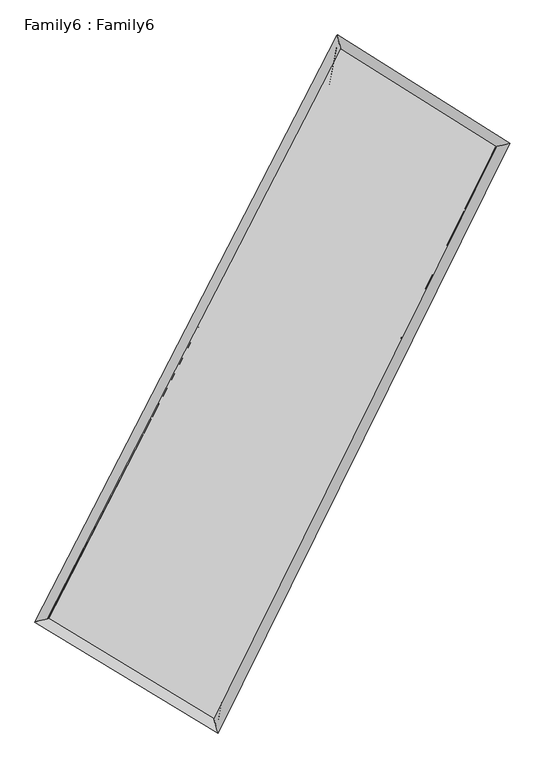
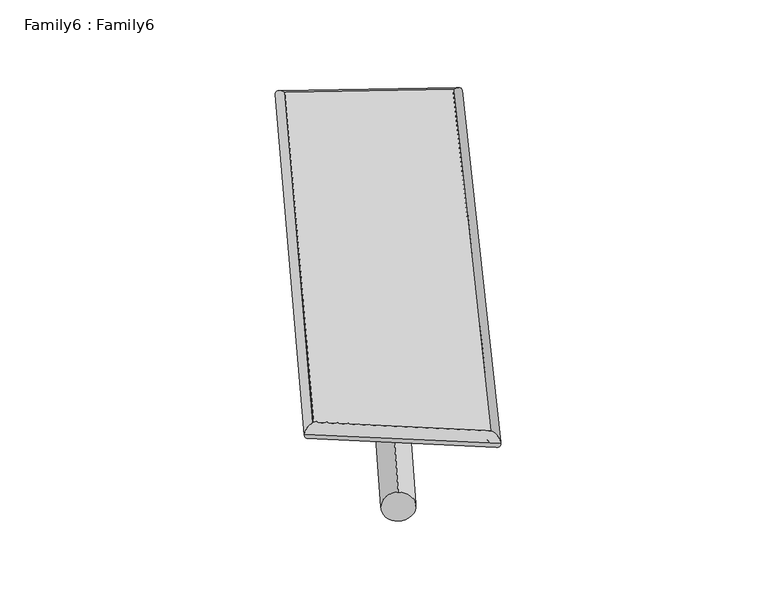
"""IFC4 building model written with IfcOpenShell, lengths in millimetres: plate geometry, Family6 : Family6."""

from ifc_helpers import new_model, si_unit, point, frame, origin, origin_2d, place, context, project, spatial, circle_curve, ellipse_curve, trimmed, segment, composite_curve, outline, extrude, source, transform, mapped, element, save
from ifc_brep_helpers import plane_surface, cylinder_surface, spline_surface, advanced_brep


def family6_family6_aa710bb6(model_context):
    return source(origin(), model_context, "Body", "SolidModel", [
        extrude(outline(composite_curve([segment(trimmed(circle_curve(origin_2d(), 76.2), [point((-75.4341514, -10.7763074))], [point((75.4341514, 10.7763074))], False, "CARTESIAN"), True, "CONTINUOUS"), segment(trimmed(circle_curve(origin_2d(), 76.2), [point((75.4341514, 10.7763074))], [point((-75.4341514, -10.7763074))], False, "CARTESIAN"), True, "CONTINUOUS")], self_intersect=False)), frame((9144.0, 9144.0, 0.0), z_axis=(0.6543816768485177, 0.6962901136099043, 0.29489777668546235), x_axis=(-0.6898250130579842, 0.7094403203418094, -0.14434640013821973)), (0.0, 0.0, 1.0), 5396.7434976),
        extrude(outline(composite_curve([segment(trimmed(circle_curve(origin_2d(), 76.2), [point((-53.8815367, 53.8815367))], [point((53.8815367, -53.8815367))], False, "CARTESIAN"), True, "CONTINUOUS"), segment(trimmed(circle_curve(origin_2d(), 76.2), [point((53.8815367, -53.8815367))], [point((-53.8815367, 53.8815367))], False, "CARTESIAN"), True, "CONTINUOUS")], self_intersect=False)), frame((9144.0, 9144.0, 0.0), z_axis=(-0.6655400931432676, -0.6867302653244083, 0.2923318783614246), x_axis=(0.6534073702245423, -0.34680353305495265, 0.6728938385784569)), (0.0, 0.0, 1.0), 5434.5287958),
        extrude(outline(composite_curve([segment(trimmed(circle_curve(origin_2d(), 76.2), [point((-53.8815368, -53.8815367))], [point((53.8815368, 53.8815367))], False, "CARTESIAN"), True, "CONTINUOUS"), segment(trimmed(circle_curve(origin_2d(), 76.2), [point((53.8815368, 53.8815367))], [point((-53.8815368, -53.8815367))], False, "CARTESIAN"), True, "CONTINUOUS")], self_intersect=False)), frame((9144.0, 9144.0, 0.0), z_axis=(0.18652078425951846, 0.9477440834919477, 0.2588264848218248), x_axis=(-0.8512866870815973, 0.2874208094661833, -0.43897637144092705)), (0.0, 0.0, 1.0), 5609.6772659),
        extrude(outline(composite_curve([segment(trimmed(circle_curve(origin_2d(), 76.2), [point((-75.4341514, 10.7763074))], [point((75.4341514, -10.7763074))], False, "CARTESIAN"), True, "CONTINUOUS"), segment(trimmed(circle_curve(origin_2d(), 76.2), [point((75.4341514, -10.7763074))], [point((-75.4341514, 10.7763074))], False, "CARTESIAN"), True, "CONTINUOUS")], self_intersect=False)), frame((9144.0, 9144.0, 0.0), z_axis=(-0.1733003588996479, -0.9501633238874302, 0.2591459888642768), x_axis=(0.9058528390567362, -0.05051301117369408, 0.4205699343450706)), (0.0, 0.0, 1.0), 5614.7007695),
        advanced_brep(
        [(5327.1601859, 5355.8107342, 1579.758199), (5326.7306035, 5355.2766465, 1599.2861894), (5727.0462122, 5468.0784621, 1597.6138228), (10249.5363151, 14243.6009234, 1464.9878346), (10131.106491, 14677.4759547, 1438.8782608), (5727.4757946, 5468.6125498, 1578.0858323), (12477.8193329, 12845.9174243, 1590.1150222), (12873.240786, 12957.4808618, 1592.8602953), (8108.0466032, 4025.4069042, 1457.7377639), (8233.8940799, 3592.8276043, 1452.3166022)],
        [
            (0, 1, ellipse_curve(frame((5527.1031991, 5411.9445981, 1588.6860109), z_axis=(-0.2710852647547539, 0.9623400616968577, 0.02035644581288753), x_axis=(-0.961481606215777, -0.27172093917346396, 0.04148315469465289)), 208.5092908, 152.4)),
            (1, 2, ellipse_curve(frame((5527.1031991, 5411.9445981, 1588.6860109), z_axis=(-0.2710852647547539, 0.9623400616968577, 0.02035644581288753), x_axis=(-0.961481606215777, -0.27172093917346396, 0.04148315469465289)), 208.5092908, 152.4)),
            (2, 3),
            (3, 4, ellipse_curve(frame((10190.3214031, 14460.5384391, 1451.9330477), z_axis=(-0.9640148681223326, -0.26465196776444816, -0.025192657610642204), x_axis=(0.2635035257940911, -0.9637705385672293, 0.04137923251965436)), 225.2893599, 152.4)),
            (4, 0),
            (2, 5, ellipse_curve(frame((5527.1031991, 5411.9445981, 1588.6860109), z_axis=(-0.2710852647547539, 0.9623400616968577, 0.02035644581288753), x_axis=(-0.961481606215777, -0.27172093917346396, 0.04148315469465289)), 208.5092908, 152.4)),
            (5, 0, ellipse_curve(frame((5527.1031991, 5411.9445981, 1588.6860109), z_axis=(-0.2710852647547539, 0.9623400616968577, 0.02035644581288753), x_axis=(-0.961481606215777, -0.27172093917346396, 0.04148315469465289)), 208.5092908, 152.4)),
            (4, 3, ellipse_curve(frame((10190.3214031, 14460.5384391, 1451.9330477), z_axis=(-0.9640148681223326, -0.26465196776444816, -0.025192657610642204), x_axis=(0.2635035257940911, -0.9637705385672293, 0.04137923251965436)), 225.2893599, 152.4)),
            (3, 6),
            (6, 7, ellipse_curve(frame((12675.5300595, 12901.699143, 1591.4876588), z_axis=(-0.27131806674677345, 0.9622154442676855, -0.022977063988553828), x_axis=(-0.9611923131140597, -0.2721142263341071, -0.04542229669483352)), 205.5600985, 152.4)),
            (7, 4),
            (7, 6, ellipse_curve(frame((12675.5300595, 12901.699143, 1591.4876588), z_axis=(-0.27131806674677345, 0.9622154442676855, -0.022977063988553828), x_axis=(-0.9611923131140597, -0.2721142263341071, -0.04542229669483352)), 205.5600985, 152.4)),
            (6, 8),
            (8, 9, ellipse_curve(frame((8170.9703415, 3809.1172543, 1455.0271831), z_axis=(0.9598854099444164, 0.2795288129790114, -0.0219918732804782), x_axis=(-0.2785778312031269, 0.959644070587966, 0.038440210034824396)), 225.3663628, 152.4)),
            (9, 7),
            (9, 8, ellipse_curve(frame((8170.9703415, 3809.1172543, 1455.0271831), z_axis=(0.9598854099444164, 0.2795288129790114, -0.0219918732804782), x_axis=(-0.2785778312031269, 0.959644070587966, 0.038440210034824396)), 225.3663628, 152.4)),
            (8, 5),
            (1, 9),
        ],
        [
            cylinder_surface(frame((5527.1031991, 5411.9445981, 1588.6860109), z_axis=(-0.45805665225375297, -0.8888215007379566, 0.01343291301285806), x_axis=(-0.8870925845538497, 0.4560919938443637, -0.07104111190461533)), 152.4),
            cylinder_surface(frame((10190.3214031, 14460.5384391, 1451.9330477), z_axis=(-0.8461848436682151, 0.530766775909797, -0.04751673322649441), x_axis=(0.5324280073843237, 0.8457944044205858, -0.033944696251183286)), 152.4),
            cylinder_surface(frame((12675.5300595, 12901.699143, 1591.4876588), z_axis=(0.44388037244142836, 0.8959851545971029, 0.013446847320641366), x_axis=(0.8960805233305691, -0.44388037244142836, -0.0031481214831123394)), 152.4),
            cylinder_surface(frame((8170.9703415, 3809.1172543, 1455.0271831), z_axis=(0.854330546722184, -0.5179323646800135, -0.043190074720287464), x_axis=(-0.5171136510315982, -0.8554175059115425, 0.02922947992775018)), 152.4),
        ],
        [
            (0, [[1, 2, 3, 4, 5]]),
            (0, [[6, 7, -5, 8, -3]]),
            (1, [[-4, 9, 10, 11]]),
            (1, [[-8, -11, 12, -9]]),
            (2, [[-10, 13, 14, 15]]),
            (2, [[-12, -15, 16, -13]]),
            (3, [[-14, 17, -6, -2, 18]]),
            (3, [[-16, -18, -1, -7, -17]]),
        ],
    ),
        extrude(outline(composite_curve([segment(trimmed(circle_curve(origin_2d(), 304.8), [point((0.0, -304.8))], [point((0.0, 304.7999999))], False, "CARTESIAN"), True, "CONTINUOUS"), segment(trimmed(circle_curve(origin_2d(), 304.8), [point((0.0, 304.7999999))], [point((0.0, -304.8))], False, "CARTESIAN"), True, "CONTINUOUS")], self_intersect=False)), frame((6782.5700477, 4627.668914, -0.1519962), z_axis=(0.4633498330737002, 0.8861754517594695, 2.9824058254488785e-05), x_axis=(-0.8861754522310452, 0.4633498330737002, 7.326451206279363e-06)), (0.0, 0.0, 1.0), 10192.8598383),
        advanced_brep(
        [(5527.1031991, 5411.9445981, 1588.6860109), (8170.9703415, 3809.1172543, 1455.0271831), (8171.0068555, 3809.1064512, 1607.4271783), (5527.139713, 5411.9337951, 1741.0860061), (12675.5300595, 12901.699143, 1591.4876588), (12675.5665734, 12901.68834, 1743.887654), (10190.3214031, 14460.5384391, 1451.9330477), (10190.357917, 14460.527636, 1604.333043)],
        [
            (0, 1),
            (1, 2),
            (2, 3),
            (3, 0),
            (1, 4),
            (4, 5),
            (5, 2),
            (4, 6),
            (6, 7),
            (7, 5),
            (6, 0),
            (3, 7),
        ],
        [
            plane_surface(frame((6849.0367703, 4610.5309262, 1521.856597), z_axis=(-0.5184137607000121, -0.8551299133307275, 6.359129665394966e-05), x_axis=(0.8543305467221838, -0.5179323646800136, -0.04319007472028742))),
            plane_surface(frame((10423.2502005, 8355.4081986, 1523.2574209), z_axis=(0.8960676129581192, -0.4439175288420197, -0.00024615916224849776), x_axis=(0.44388037244142886, 0.8959851545971026, 0.013446847320641397))),
            plane_surface(frame((11432.9257313, 13681.118791, 1521.7103532), z_axis=(0.5313696950708126, 0.8471400372053013, -6.726182003810241e-05), x_axis=(-0.8461848436682149, 0.5307667759097973, -0.0475167332264944))),
            plane_surface(frame((7858.7123011, 9936.2415186, 1520.3095293), z_axis=(-0.8889001651696721, 0.45810090167664264, 0.00024544729896190404), x_axis=(-0.45805665225375325, -0.8888215007379564, 0.013432913012858066))),
            spline_surface(1, 1, [[(8171.0068555, 3809.1064512, 1607.4271783), (5527.139713, 5411.9337951, 1741.0860061)], [(12675.5665734, 12901.68834, 1743.887654), (10190.357917, 14460.527636, 1604.333043)]], [2, 2], [2, 2], [0.0, 1.0], [0.0, 1.0]),
            spline_surface(1, 1, [[(10190.3214031, 14460.5384391, 1451.9330477), (5527.1031991, 5411.9445981, 1588.6860109)], [(12675.5300595, 12901.699143, 1591.4876588), (8170.9703415, 3809.1172543, 1455.0271831)]], [2, 2], [2, 2], [0.0, 1.0], [0.0, 1.0]),
        ],
        [
            (0, [[1, 2, 3, 4]]),
            (1, [[5, 6, 7, -2]]),
            (2, [[8, 9, 10, -6]]),
            (3, [[11, -4, 12, -9]]),
            (4, [[-3, -7, -10, -12]]),
            (5, [[-11, -8, -5, -1]]),
        ],
    ),
    ])


if __name__ == "__main__":
    model = new_model("IFC4")
    model_context = context("Model", 3, world=origin())
    ifc_project = project(units=[si_unit("LENGTHUNIT", "METRE", prefix="MILLI")], contexts=[model_context])
    site = spatial("IfcSite", under=ifc_project)
    building = spatial("IfcBuilding", under=site)
    placement = place(None, origin())
    family6_family6_shape = family6_family6_aa710bb6(model_context)
    element("IfcPlate", 1, ObjectType="Family6 : Family6", at=placement, inside=building, context=model_context, shape_type="MappedRepresentation", body=[
        mapped(family6_family6_shape, transform((0.0, 0.0, 0.0), x_axis=(1.0, 0.0, 0.0), y_axis=(0.0, 1.0, 0.0), z_axis=(0.0, 0.0, 1.0))),
    ])
    save(model, "model.ifc")
